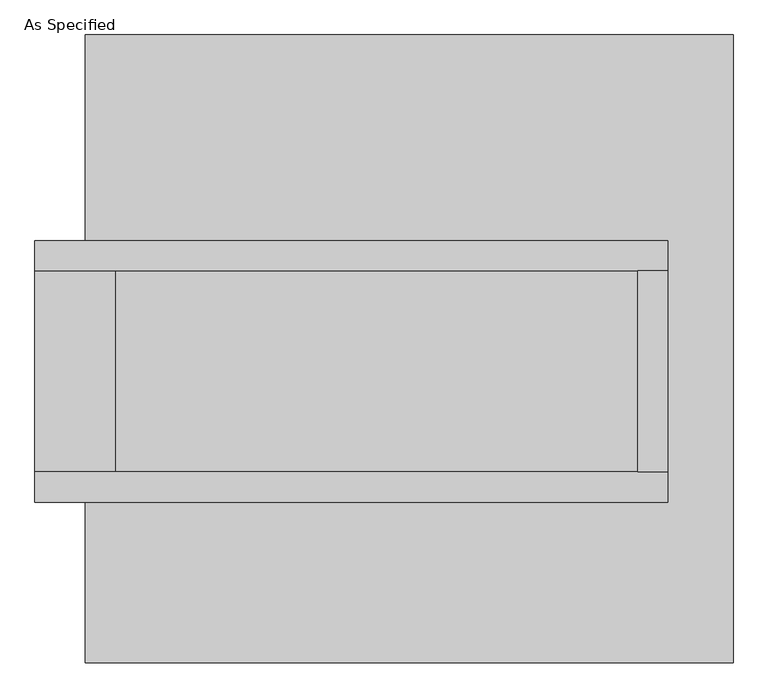
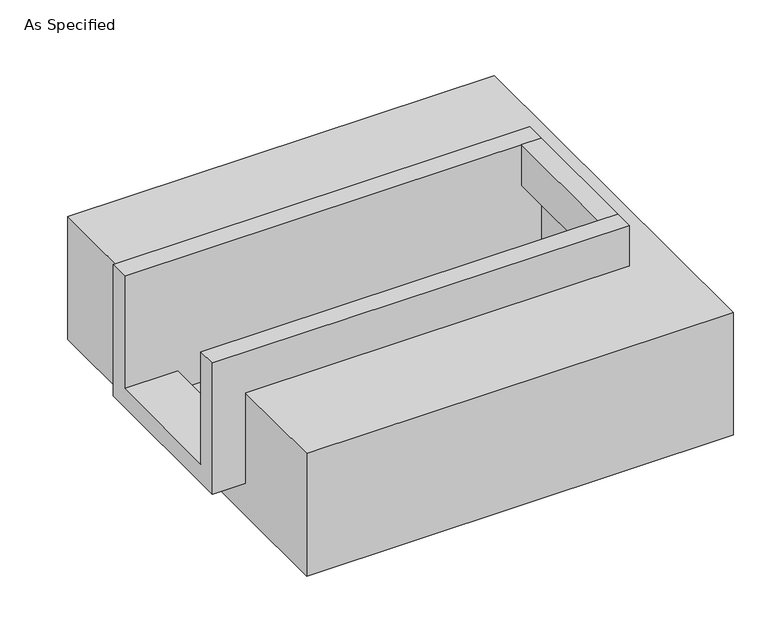
"""IFC4 building model written with IfcOpenShell, lengths in millimetres: proxy geometry, As Specified."""

from ifc_helpers import new_model, si_unit, frame, origin, place, context, project, spatial, polyline, outline, extrude, faceted_brep, source, transform, mapped, element, save


def as_specified_31f6e90e(model_context):
    return source(origin(), model_context, "Body", "SolidModel", [
        extrude(outline(polyline([(577.85, 196.85), (654.05, 196.85), (654.05, -311.15), (577.85, -311.15), (577.85, 196.85)])), frame((0.0, 0.0, -25.4), z_axis=(0.0, 0.0, 1.0), x_axis=(1.0, 0.0, 0.0)), (0.0, 0.0, 1.0), 165.1),
        faceted_brep([(654.05, 196.85, 139.7), (654.05, 196.85, -317.5), (654.05, -311.15, -317.5), (654.05, -311.15, 139.7), (654.05, -387.35, 139.7), (654.05, -387.35, -393.7), (654.05, 273.05, -393.7), (654.05, 273.05, 139.7), (-946.15, 196.85, 139.7), (-946.15, 273.05, 139.7), (-946.15, 273.05, -393.7), (-946.15, -387.35, -393.7), (-946.15, -387.35, 139.7), (-946.15, -311.15, 139.7), (-946.15, -311.15, -317.5), (-946.15, 196.85, -317.5), (-742.95, 196.85, -393.7), (-742.95, -311.15, -393.7), (577.85, -311.15, -393.7), (577.85, 196.85, -393.7), (577.85, -311.15, -317.5), (-742.95, -311.15, -317.5), (577.85, 196.85, -317.5), (-742.95, 196.85, -317.5)], [[[0, 1, 2, 3, 4, 5, 6, 7]], [[8, 9, 10, 11, 12, 13, 14, 15]], [[0, 7, 9, 8]], [[7, 6, 10, 9]], [[6, 5, 11, 10], [16, 17, 18, 19]], [[4, 3, 13, 12]], [[3, 2, 20, 18, 17, 21, 14, 13]], [[2, 1, 22, 20]], [[15, 14, 21, 23]], [[1, 0, 8, 15, 23, 16, 19, 22]], [[21, 17, 16, 23]], [[18, 20, 22, 19]], [[5, 4, 12, 11]]]),
        faceted_brep([(-819.15, 793.75, -523.9742188), (819.15, 793.75, -523.9742188), (819.15, -793.75, -523.9742188), (-819.15, -793.75, -523.9742188), (819.15, 793.75, -25.4), (-819.15, 793.75, -25.4), (-819.15, 273.05, -25.4), (654.05, 273.05, -25.4), (654.05, -387.35, -25.4), (-819.15, -387.35, -25.4), (-819.15, -793.75, -25.4), (819.15, -793.75, -25.4), (-819.15, -387.35, -393.7), (-819.15, 273.05, -393.7), (654.05, 273.05, -393.7), (654.05, -387.35, -393.7)], [[[0, 1, 2, 3]], [[4, 5, 6, 7, 8, 9, 10, 11]], [[1, 0, 5, 4]], [[5, 0, 3, 10, 9, 12, 13, 6]], [[1, 4, 11, 2]], [[3, 2, 11, 10]], [[14, 15, 8, 7]], [[13, 14, 7, 6]], [[15, 14, 13, 12]], [[15, 12, 9, 8]]]),
    ])


if __name__ == "__main__":
    model = new_model("IFC4")
    model_context = context("Model", 3, world=origin())
    ifc_project = project(units=[si_unit("LENGTHUNIT", "METRE", prefix="MILLI")], contexts=[model_context])
    site = spatial("IfcSite", under=ifc_project)
    building = spatial("IfcBuilding", under=site)
    placement = place(None, origin())
    as_specified_shape = as_specified_31f6e90e(model_context)
    element("IfcBuildingElementProxy", 1, Name="As Specified", ObjectType="As Specified", at=placement, inside=building, context=model_context, shape_type="MappedRepresentation", body=[
        mapped(as_specified_shape, transform((0.0, 0.0, 0.0), x_axis=(1.0, 0.0, 0.0), y_axis=(0.0, 1.0, 0.0), z_axis=(0.0, 0.0, 1.0))),
    ])
    save(model, "model.ifc")
